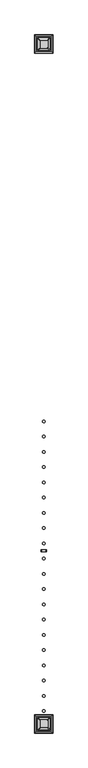
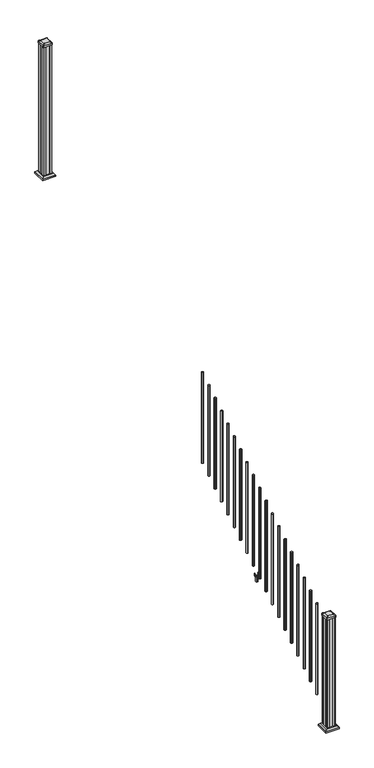
"""IFC4 building model written with IfcOpenShell, lengths in millimetres: railing geometry."""

from ifc_helpers import new_model, si_unit, point, frame, frame_2d, origin, place, context, project, spatial, polyline, circle_curve, trimmed, segment, composite_curve, outline, extrude, faceted_brep, source, transform, mapped, element, save
from ifc_brep_helpers import plane_surface, extruded_surface, advanced_brep


def railing_af3123fe(model_context):
    return source(origin(), model_context, "Body", "SolidModel", [
        extrude(outline(composite_curve([segment(trimmed(circle_curve(frame_2d((11128.1942659, -14647.7074681)), 9.525), [point((11118.6692659, -14647.7074681))], [point((11128.1942659, -14638.1824681))], False, "CARTESIAN"), True, "CONTINUOUS"), segment(trimmed(circle_curve(frame_2d((11128.1942659, -14647.7074681)), 9.525), [point((11128.1942659, -14638.1824681))], [point((11137.7192659, -14647.7074681))], False, "CARTESIAN"), True, "CONTINUOUS"), segment(trimmed(circle_curve(frame_2d((11128.1942659, -14647.7074681)), 9.525), [point((11137.7192659, -14647.7074681))], [point((11128.1942659, -14657.2324681))], False, "CARTESIAN"), True, "CONTINUOUS"), segment(trimmed(circle_curve(frame_2d((11128.1942659, -14647.7074681)), 9.525), [point((11128.1942659, -14657.2324681))], [point((11118.6692659, -14647.7074681))], False, "CARTESIAN"), True, "CONTINUOUS")], self_intersect=False)), frame((0.0, 0.0, 1645.9158781), z_axis=(0.0, 0.0, 1.0), x_axis=(1.0, 0.0, 0.0)), (0.0, 0.0, 1.0), 965.2041219),
        extrude(outline(composite_curve([segment(trimmed(circle_curve(frame_2d((11128.1942659, -14758.9594681)), 9.525), [point((11118.6692659, -14758.9594681))], [point((11128.1942659, -14749.4344681))], False, "CARTESIAN"), True, "CONTINUOUS"), segment(trimmed(circle_curve(frame_2d((11128.1942659, -14758.9594681)), 9.525), [point((11128.1942659, -14749.4344681))], [point((11137.7192659, -14758.9594681))], False, "CARTESIAN"), True, "CONTINUOUS"), segment(trimmed(circle_curve(frame_2d((11128.1942659, -14758.9594681)), 9.525), [point((11137.7192659, -14758.9594681))], [point((11128.1942659, -14768.4844681))], False, "CARTESIAN"), True, "CONTINUOUS"), segment(trimmed(circle_curve(frame_2d((11128.1942659, -14758.9594681)), 9.525), [point((11128.1942659, -14768.4844681))], [point((11118.6692659, -14758.9594681))], False, "CARTESIAN"), True, "CONTINUOUS")], self_intersect=False)), frame((0.0, 0.0, 1576.3833781), z_axis=(0.0, 0.0, 1.0), x_axis=(1.0, 0.0, 0.0)), (0.0, 0.0, 1.0), 965.2041219),
        extrude(outline(composite_curve([segment(trimmed(circle_curve(frame_2d((11128.1942659, -14870.2114681)), 9.525), [point((11118.6692659, -14870.2114681))], [point((11128.1942659, -14860.6864681))], False, "CARTESIAN"), True, "CONTINUOUS"), segment(trimmed(circle_curve(frame_2d((11128.1942659, -14870.2114681)), 9.525), [point((11128.1942659, -14860.6864681))], [point((11137.7192659, -14870.2114681))], False, "CARTESIAN"), True, "CONTINUOUS"), segment(trimmed(circle_curve(frame_2d((11128.1942659, -14870.2114681)), 9.525), [point((11137.7192659, -14870.2114681))], [point((11128.1942659, -14879.7364681))], False, "CARTESIAN"), True, "CONTINUOUS"), segment(trimmed(circle_curve(frame_2d((11128.1942659, -14870.2114681)), 9.525), [point((11128.1942659, -14879.7364681))], [point((11118.6692659, -14870.2114681))], False, "CARTESIAN"), True, "CONTINUOUS")], self_intersect=False)), frame((0.0, 0.0, 1506.8508781), z_axis=(0.0, 0.0, 1.0), x_axis=(1.0, 0.0, 0.0)), (0.0, 0.0, 1.0), 965.2041219),
        extrude(outline(composite_curve([segment(trimmed(circle_curve(frame_2d((11128.1942659, -14981.4634681)), 9.525), [point((11118.6692659, -14981.4634681))], [point((11128.1942659, -14971.9384681))], False, "CARTESIAN"), True, "CONTINUOUS"), segment(trimmed(circle_curve(frame_2d((11128.1942659, -14981.4634681)), 9.525), [point((11128.1942659, -14971.9384681))], [point((11137.7192659, -14981.4634681))], False, "CARTESIAN"), True, "CONTINUOUS"), segment(trimmed(circle_curve(frame_2d((11128.1942659, -14981.4634681)), 9.525), [point((11137.7192659, -14981.4634681))], [point((11128.1942659, -14990.9884681))], False, "CARTESIAN"), True, "CONTINUOUS"), segment(trimmed(circle_curve(frame_2d((11128.1942659, -14981.4634681)), 9.525), [point((11128.1942659, -14990.9884681))], [point((11118.6692659, -14981.4634681))], False, "CARTESIAN"), True, "CONTINUOUS")], self_intersect=False)), frame((0.0, 0.0, 1437.3183781), z_axis=(0.0, 0.0, 1.0), x_axis=(1.0, 0.0, 0.0)), (0.0, 0.0, 1.0), 965.2041219),
        extrude(outline(composite_curve([segment(trimmed(circle_curve(frame_2d((11128.1942659, -15092.7154681)), 9.525), [point((11118.6692659, -15092.7154681))], [point((11128.1942659, -15083.1904681))], False, "CARTESIAN"), True, "CONTINUOUS"), segment(trimmed(circle_curve(frame_2d((11128.1942659, -15092.7154681)), 9.525), [point((11128.1942659, -15083.1904681))], [point((11137.7192659, -15092.7154681))], False, "CARTESIAN"), True, "CONTINUOUS"), segment(trimmed(circle_curve(frame_2d((11128.1942659, -15092.7154681)), 9.525), [point((11137.7192659, -15092.7154681))], [point((11128.1942659, -15102.2404681))], False, "CARTESIAN"), True, "CONTINUOUS"), segment(trimmed(circle_curve(frame_2d((11128.1942659, -15092.7154681)), 9.525), [point((11128.1942659, -15102.2404681))], [point((11118.6692659, -15092.7154681))], False, "CARTESIAN"), True, "CONTINUOUS")], self_intersect=False)), frame((0.0, 0.0, 1367.7858781), z_axis=(0.0, 0.0, 1.0), x_axis=(1.0, 0.0, 0.0)), (0.0, 0.0, 1.0), 965.2041219),
        extrude(outline(composite_curve([segment(trimmed(circle_curve(frame_2d((11128.1942659, -15203.9674681)), 9.525), [point((11118.6692659, -15203.9674681))], [point((11128.1942659, -15194.4424681))], False, "CARTESIAN"), True, "CONTINUOUS"), segment(trimmed(circle_curve(frame_2d((11128.1942659, -15203.9674681)), 9.525), [point((11128.1942659, -15194.4424681))], [point((11137.7192659, -15203.9674681))], False, "CARTESIAN"), True, "CONTINUOUS"), segment(trimmed(circle_curve(frame_2d((11128.1942659, -15203.9674681)), 9.525), [point((11137.7192659, -15203.9674681))], [point((11128.1942659, -15213.4924681))], False, "CARTESIAN"), True, "CONTINUOUS"), segment(trimmed(circle_curve(frame_2d((11128.1942659, -15203.9674681)), 9.525), [point((11128.1942659, -15213.4924681))], [point((11118.6692659, -15203.9674681))], False, "CARTESIAN"), True, "CONTINUOUS")], self_intersect=False)), frame((0.0, 0.0, 1298.2533781), z_axis=(0.0, 0.0, 1.0), x_axis=(1.0, 0.0, 0.0)), (0.0, 0.0, 1.0), 965.2041219),
        extrude(outline(composite_curve([segment(trimmed(circle_curve(frame_2d((11128.1942659, -15315.2194681)), 9.525), [point((11118.6692659, -15315.2194681))], [point((11128.1942659, -15305.6944681))], False, "CARTESIAN"), True, "CONTINUOUS"), segment(trimmed(circle_curve(frame_2d((11128.1942659, -15315.2194681)), 9.525), [point((11128.1942659, -15305.6944681))], [point((11137.7192659, -15315.2194681))], False, "CARTESIAN"), True, "CONTINUOUS"), segment(trimmed(circle_curve(frame_2d((11128.1942659, -15315.2194681)), 9.525), [point((11137.7192659, -15315.2194681))], [point((11128.1942659, -15324.7444681))], False, "CARTESIAN"), True, "CONTINUOUS"), segment(trimmed(circle_curve(frame_2d((11128.1942659, -15315.2194681)), 9.525), [point((11128.1942659, -15324.7444681))], [point((11118.6692659, -15315.2194681))], False, "CARTESIAN"), True, "CONTINUOUS")], self_intersect=False)), frame((0.0, 0.0, 1228.7208781), z_axis=(0.0, 0.0, 1.0), x_axis=(1.0, 0.0, 0.0)), (0.0, 0.0, 1.0), 965.2041219),
        extrude(outline(composite_curve([segment(trimmed(circle_curve(frame_2d((11128.1942659, -15426.4714681)), 9.525), [point((11118.6692659, -15426.4714681))], [point((11128.1942659, -15416.9464681))], False, "CARTESIAN"), True, "CONTINUOUS"), segment(trimmed(circle_curve(frame_2d((11128.1942659, -15426.4714681)), 9.525), [point((11128.1942659, -15416.9464681))], [point((11137.7192659, -15426.4714681))], False, "CARTESIAN"), True, "CONTINUOUS"), segment(trimmed(circle_curve(frame_2d((11128.1942659, -15426.4714681)), 9.525), [point((11137.7192659, -15426.4714681))], [point((11128.1942659, -15435.9964681))], False, "CARTESIAN"), True, "CONTINUOUS"), segment(trimmed(circle_curve(frame_2d((11128.1942659, -15426.4714681)), 9.525), [point((11128.1942659, -15435.9964681))], [point((11118.6692659, -15426.4714681))], False, "CARTESIAN"), True, "CONTINUOUS")], self_intersect=False)), frame((0.0, 0.0, 1159.1883781), z_axis=(0.0, 0.0, 1.0), x_axis=(1.0, 0.0, 0.0)), (0.0, 0.0, 1.0), 965.2041219),
        extrude(outline(composite_curve([segment(trimmed(circle_curve(frame_2d((11128.1942659, -15537.7234681)), 9.525), [point((11118.6692659, -15537.7234681))], [point((11128.1942659, -15528.1984681))], False, "CARTESIAN"), True, "CONTINUOUS"), segment(trimmed(circle_curve(frame_2d((11128.1942659, -15537.7234681)), 9.525), [point((11128.1942659, -15528.1984681))], [point((11137.7192659, -15537.7234681))], False, "CARTESIAN"), True, "CONTINUOUS"), segment(trimmed(circle_curve(frame_2d((11128.1942659, -15537.7234681)), 9.525), [point((11137.7192659, -15537.7234681))], [point((11128.1942659, -15547.2484681))], False, "CARTESIAN"), True, "CONTINUOUS"), segment(trimmed(circle_curve(frame_2d((11128.1942659, -15537.7234681)), 9.525), [point((11128.1942659, -15547.2484681))], [point((11118.6692659, -15537.7234681))], False, "CARTESIAN"), True, "CONTINUOUS")], self_intersect=False)), frame((0.0, 0.0, 1089.6558781), z_axis=(0.0, 0.0, 1.0), x_axis=(1.0, 0.0, 0.0)), (0.0, 0.0, 1.0), 965.2041219),
        extrude(outline(polyline([(1041.2203979, 11146.3552647), (1041.2203979, 11144.3232651), (1040.2043953, 11143.3072653), (1029.7686081, 11143.3072653), (1028.7526073, 11144.3232651), (1016.762001, 11144.3232651), (1016.0000019, 11143.561266), (1016.0000019, 11112.8272648), (1016.762001, 11112.0652657), (1028.7526073, 11112.0652657), (1029.7686081, 11113.0812655), (1040.2043953, 11113.0812655), (1041.2203979, 11112.0652657), (1041.2203979, 11110.0332661), (1040.4583969, 11109.2712651), (1013.9680023, 11109.2712651), (1013.2060013, 11110.0332661), (1013.2060013, 11120.0662651), (1012.4440012, 11120.8282652), (953.262001, 11120.8282652), (952.5, 11121.5902663), (952.5, 11134.7982655), (953.2620001, 11135.5602656), (1012.4440012, 11135.5602656), (1013.2060013, 11136.3222657), (1013.2060013, 11146.3552647), (1013.9680023, 11147.1172657), (1040.4583969, 11147.1172657), (1041.2203979, 11146.3552647)]), holes=[polyline([(1013.2060013, 11124.7652655), (1013.2060013, 11131.6232653), (1012.4440012, 11132.3852654), (956.4370003, 11132.3852654), (955.6750031, 11131.6232682), (955.6750031, 11124.7652655), (956.4370031, 11124.0032654), (1012.4440012, 11124.0032654), (1013.2060013, 11124.7652655)])]), frame((0.0, -15600.7154681, 0.0), z_axis=(0.0, 1.0, 0.0), x_axis=(0.0, 0.0, 1.0)), (0.0, 0.0, 1.0), 14.732),
        extrude(outline(composite_curve([segment(trimmed(circle_curve(frame_2d((11128.1942659, -15648.9754681)), 9.525), [point((11118.6692659, -15648.9754681))], [point((11128.1942659, -15639.4504681))], False, "CARTESIAN"), True, "CONTINUOUS"), segment(trimmed(circle_curve(frame_2d((11128.1942659, -15648.9754681)), 9.525), [point((11128.1942659, -15639.4504681))], [point((11137.7192659, -15648.9754681))], False, "CARTESIAN"), True, "CONTINUOUS"), segment(trimmed(circle_curve(frame_2d((11128.1942659, -15648.9754681)), 9.525), [point((11137.7192659, -15648.9754681))], [point((11128.1942659, -15658.5004681))], False, "CARTESIAN"), True, "CONTINUOUS"), segment(trimmed(circle_curve(frame_2d((11128.1942659, -15648.9754681)), 9.525), [point((11128.1942659, -15658.5004681))], [point((11118.6692659, -15648.9754681))], False, "CARTESIAN"), True, "CONTINUOUS")], self_intersect=False)), frame((0.0, 0.0, 1020.1233781), z_axis=(0.0, 0.0, 1.0), x_axis=(1.0, 0.0, 0.0)), (0.0, 0.0, 1.0), 965.2041219),
        extrude(outline(composite_curve([segment(trimmed(circle_curve(frame_2d((11128.1942659, -15760.2274681)), 9.525), [point((11118.6692659, -15760.2274681))], [point((11128.1942659, -15750.7024681))], False, "CARTESIAN"), True, "CONTINUOUS"), segment(trimmed(circle_curve(frame_2d((11128.1942659, -15760.2274681)), 9.525), [point((11128.1942659, -15750.7024681))], [point((11137.7192659, -15760.2274681))], False, "CARTESIAN"), True, "CONTINUOUS"), segment(trimmed(circle_curve(frame_2d((11128.1942659, -15760.2274681)), 9.525), [point((11137.7192659, -15760.2274681))], [point((11128.1942659, -15769.7524681))], False, "CARTESIAN"), True, "CONTINUOUS"), segment(trimmed(circle_curve(frame_2d((11128.1942659, -15760.2274681)), 9.525), [point((11128.1942659, -15769.7524681))], [point((11118.6692659, -15760.2274681))], False, "CARTESIAN"), True, "CONTINUOUS")], self_intersect=False)), frame((0.0, 0.0, 950.5908781), z_axis=(0.0, 0.0, 1.0), x_axis=(1.0, 0.0, 0.0)), (0.0, 0.0, 1.0), 965.2041219),
        extrude(outline(composite_curve([segment(trimmed(circle_curve(frame_2d((11128.1942659, -15871.4794681)), 9.525), [point((11118.6692659, -15871.4794681))], [point((11128.1942659, -15861.9544681))], False, "CARTESIAN"), True, "CONTINUOUS"), segment(trimmed(circle_curve(frame_2d((11128.1942659, -15871.4794681)), 9.525), [point((11128.1942659, -15861.9544681))], [point((11137.7192659, -15871.4794681))], False, "CARTESIAN"), True, "CONTINUOUS"), segment(trimmed(circle_curve(frame_2d((11128.1942659, -15871.4794681)), 9.525), [point((11137.7192659, -15871.4794681))], [point((11128.1942659, -15881.0044681))], False, "CARTESIAN"), True, "CONTINUOUS"), segment(trimmed(circle_curve(frame_2d((11128.1942659, -15871.4794681)), 9.525), [point((11128.1942659, -15881.0044681))], [point((11118.6692659, -15871.4794681))], False, "CARTESIAN"), True, "CONTINUOUS")], self_intersect=False)), frame((0.0, 0.0, 881.0583781), z_axis=(0.0, 0.0, 1.0), x_axis=(1.0, 0.0, 0.0)), (0.0, 0.0, 1.0), 965.2041219),
        extrude(outline(composite_curve([segment(trimmed(circle_curve(frame_2d((11128.1942659, -15982.7314681)), 9.525), [point((11118.6692659, -15982.7314681))], [point((11128.1942659, -15973.2064681))], False, "CARTESIAN"), True, "CONTINUOUS"), segment(trimmed(circle_curve(frame_2d((11128.1942659, -15982.7314681)), 9.525), [point((11128.1942659, -15973.2064681))], [point((11137.7192659, -15982.7314681))], False, "CARTESIAN"), True, "CONTINUOUS"), segment(trimmed(circle_curve(frame_2d((11128.1942659, -15982.7314681)), 9.525), [point((11137.7192659, -15982.7314681))], [point((11128.1942659, -15992.2564681))], False, "CARTESIAN"), True, "CONTINUOUS"), segment(trimmed(circle_curve(frame_2d((11128.1942659, -15982.7314681)), 9.525), [point((11128.1942659, -15992.2564681))], [point((11118.6692659, -15982.7314681))], False, "CARTESIAN"), True, "CONTINUOUS")], self_intersect=False)), frame((0.0, 0.0, 811.5258781), z_axis=(0.0, 0.0, 1.0), x_axis=(1.0, 0.0, 0.0)), (0.0, 0.0, 1.0), 965.2041219),
        extrude(outline(composite_curve([segment(trimmed(circle_curve(frame_2d((11128.1942659, -16093.9834681)), 9.525), [point((11118.6692659, -16093.9834681))], [point((11128.1942659, -16084.4584681))], False, "CARTESIAN"), True, "CONTINUOUS"), segment(trimmed(circle_curve(frame_2d((11128.1942659, -16093.9834681)), 9.525), [point((11128.1942659, -16084.4584681))], [point((11137.7192659, -16093.9834681))], False, "CARTESIAN"), True, "CONTINUOUS"), segment(trimmed(circle_curve(frame_2d((11128.1942659, -16093.9834681)), 9.525), [point((11137.7192659, -16093.9834681))], [point((11128.1942659, -16103.5084681))], False, "CARTESIAN"), True, "CONTINUOUS"), segment(trimmed(circle_curve(frame_2d((11128.1942659, -16093.9834681)), 9.525), [point((11128.1942659, -16103.5084681))], [point((11118.6692659, -16093.9834681))], False, "CARTESIAN"), True, "CONTINUOUS")], self_intersect=False)), frame((0.0, 0.0, 741.9933781), z_axis=(0.0, 0.0, 1.0), x_axis=(1.0, 0.0, 0.0)), (0.0, 0.0, 1.0), 965.2041219),
        extrude(outline(composite_curve([segment(trimmed(circle_curve(frame_2d((11128.1942659, -16205.2354681)), 9.525), [point((11118.6692659, -16205.2354681))], [point((11128.1942659, -16195.7104681))], False, "CARTESIAN"), True, "CONTINUOUS"), segment(trimmed(circle_curve(frame_2d((11128.1942659, -16205.2354681)), 9.525), [point((11128.1942659, -16195.7104681))], [point((11137.7192659, -16205.2354681))], False, "CARTESIAN"), True, "CONTINUOUS"), segment(trimmed(circle_curve(frame_2d((11128.1942659, -16205.2354681)), 9.525), [point((11137.7192659, -16205.2354681))], [point((11128.1942659, -16214.7604681))], False, "CARTESIAN"), True, "CONTINUOUS"), segment(trimmed(circle_curve(frame_2d((11128.1942659, -16205.2354681)), 9.525), [point((11128.1942659, -16214.7604681))], [point((11118.6692659, -16205.2354681))], False, "CARTESIAN"), True, "CONTINUOUS")], self_intersect=False)), frame((0.0, 0.0, 672.4608781), z_axis=(0.0, 0.0, 1.0), x_axis=(1.0, 0.0, 0.0)), (0.0, 0.0, 1.0), 965.2041219),
        extrude(outline(composite_curve([segment(trimmed(circle_curve(frame_2d((11128.1942659, -16316.4874681)), 9.525), [point((11118.6692659, -16316.4874681))], [point((11128.1942659, -16306.9624681))], False, "CARTESIAN"), True, "CONTINUOUS"), segment(trimmed(circle_curve(frame_2d((11128.1942659, -16316.4874681)), 9.525), [point((11128.1942659, -16306.9624681))], [point((11137.7192659, -16316.4874681))], False, "CARTESIAN"), True, "CONTINUOUS"), segment(trimmed(circle_curve(frame_2d((11128.1942659, -16316.4874681)), 9.525), [point((11137.7192659, -16316.4874681))], [point((11128.1942659, -16326.0124681))], False, "CARTESIAN"), True, "CONTINUOUS"), segment(trimmed(circle_curve(frame_2d((11128.1942659, -16316.4874681)), 9.525), [point((11128.1942659, -16326.0124681))], [point((11118.6692659, -16316.4874681))], False, "CARTESIAN"), True, "CONTINUOUS")], self_intersect=False)), frame((0.0, 0.0, 602.9283781), z_axis=(0.0, 0.0, 1.0), x_axis=(1.0, 0.0, 0.0)), (0.0, 0.0, 1.0), 965.2041219),
        extrude(outline(composite_curve([segment(trimmed(circle_curve(frame_2d((11128.1942659, -16427.7394681)), 9.525), [point((11118.6692659, -16427.7394681))], [point((11128.1942659, -16418.2144681))], False, "CARTESIAN"), True, "CONTINUOUS"), segment(trimmed(circle_curve(frame_2d((11128.1942659, -16427.7394681)), 9.525), [point((11128.1942659, -16418.2144681))], [point((11137.7192659, -16427.7394681))], False, "CARTESIAN"), True, "CONTINUOUS"), segment(trimmed(circle_curve(frame_2d((11128.1942659, -16427.7394681)), 9.525), [point((11137.7192659, -16427.7394681))], [point((11128.1942659, -16437.2644681))], False, "CARTESIAN"), True, "CONTINUOUS"), segment(trimmed(circle_curve(frame_2d((11128.1942659, -16427.7394681)), 9.525), [point((11128.1942659, -16437.2644681))], [point((11118.6692659, -16427.7394681))], False, "CARTESIAN"), True, "CONTINUOUS")], self_intersect=False)), frame((0.0, 0.0, 533.3958781), z_axis=(0.0, 0.0, 1.0), x_axis=(1.0, 0.0, 0.0)), (0.0, 0.0, 1.0), 965.2041219),
        extrude(outline(composite_curve([segment(trimmed(circle_curve(frame_2d((11128.1942659, -16538.9914681)), 9.525), [point((11118.6692659, -16538.9914681))], [point((11128.1942659, -16529.4664681))], False, "CARTESIAN"), True, "CONTINUOUS"), segment(trimmed(circle_curve(frame_2d((11128.1942659, -16538.9914681)), 9.525), [point((11128.1942659, -16529.4664681))], [point((11137.7192659, -16538.9914681))], False, "CARTESIAN"), True, "CONTINUOUS"), segment(trimmed(circle_curve(frame_2d((11128.1942659, -16538.9914681)), 9.525), [point((11137.7192659, -16538.9914681))], [point((11128.1942659, -16548.5164681))], False, "CARTESIAN"), True, "CONTINUOUS"), segment(trimmed(circle_curve(frame_2d((11128.1942659, -16538.9914681)), 9.525), [point((11128.1942659, -16548.5164681))], [point((11118.6692659, -16538.9914681))], False, "CARTESIAN"), True, "CONTINUOUS")], self_intersect=False)), frame((0.0, 0.0, 463.8633781), z_axis=(0.0, 0.0, 1.0), x_axis=(1.0, 0.0, 0.0)), (0.0, 0.0, 1.0), 965.2041219),
        extrude(outline(composite_curve([segment(trimmed(circle_curve(frame_2d((11128.1942659, -16650.2434681)), 9.525), [point((11118.6692659, -16650.2434681))], [point((11128.1942659, -16640.7184681))], False, "CARTESIAN"), True, "CONTINUOUS"), segment(trimmed(circle_curve(frame_2d((11128.1942659, -16650.2434681)), 9.525), [point((11128.1942659, -16640.7184681))], [point((11137.7192659, -16650.2434681))], False, "CARTESIAN"), True, "CONTINUOUS"), segment(trimmed(circle_curve(frame_2d((11128.1942659, -16650.2434681)), 9.525), [point((11137.7192659, -16650.2434681))], [point((11128.1942659, -16659.7684681))], False, "CARTESIAN"), True, "CONTINUOUS"), segment(trimmed(circle_curve(frame_2d((11128.1942659, -16650.2434681)), 9.525), [point((11128.1942659, -16659.7684681))], [point((11118.6692659, -16650.2434681))], False, "CARTESIAN"), True, "CONTINUOUS")], self_intersect=False)), frame((0.0, 0.0, 394.3308781), z_axis=(0.0, 0.0, 1.0), x_axis=(1.0, 0.0, 0.0)), (0.0, 0.0, 1.0), 965.2041219),
        extrude(outline(composite_curve([segment(trimmed(circle_curve(frame_2d((11128.1942659, -16761.4954681)), 9.525), [point((11118.6692659, -16761.4954681))], [point((11128.1942659, -16751.9704681))], False, "CARTESIAN"), True, "CONTINUOUS"), segment(trimmed(circle_curve(frame_2d((11128.1942659, -16761.4954681)), 9.525), [point((11128.1942659, -16751.9704681))], [point((11137.7192659, -16761.4954681))], False, "CARTESIAN"), True, "CONTINUOUS"), segment(trimmed(circle_curve(frame_2d((11128.1942659, -16761.4954681)), 9.525), [point((11137.7192659, -16761.4954681))], [point((11128.1942659, -16771.0204681))], False, "CARTESIAN"), True, "CONTINUOUS"), segment(trimmed(circle_curve(frame_2d((11128.1942659, -16761.4954681)), 9.525), [point((11128.1942659, -16771.0204681))], [point((11118.6692659, -16761.4954681))], False, "CARTESIAN"), True, "CONTINUOUS")], self_intersect=False)), frame((0.0, 0.0, 324.7983781), z_axis=(0.0, 0.0, 1.0), x_axis=(1.0, 0.0, 0.0)), (0.0, 0.0, 1.0), 965.2041219),
        extrude(outline(polyline([(11167.8817659, -11936.8924681), (11148.2602659, -11936.8924681), (11147.4982659, -11935.3049681), (11108.8902659, -11935.3049681), (11108.1282659, -11936.8924681), (11088.5067659, -11936.8924681), (11086.9192659, -11935.3049681), (11086.9192659, -11915.6834681), (11088.5067659, -11914.9214681), (11088.5067659, -11876.3134681), (11086.9192659, -11875.5514681), (11086.9192659, -11855.9299681), (11088.5067659, -11854.3424681), (11108.1282659, -11854.3424681), (11108.8902659, -11855.9299681), (11147.4982659, -11855.9299681), (11148.2602659, -11854.3424681), (11167.8817659, -11854.3424681), (11169.4692659, -11855.9299681), (11169.4692659, -11875.5514681), (11167.8817659, -11876.3134681), (11167.8817659, -11914.9214681), (11169.4692659, -11915.6834681), (11169.4692659, -11935.3049681), (11167.8817659, -11936.8924681)])), frame((0.0, 0.0, 3048.0), z_axis=(0.0, 0.0, 1.0), x_axis=(1.0, 0.0, 0.0)), (0.0, 0.0, 1.0), 1400.140513),
        faceted_brep([(11075.6083284, -11948.2034056, 3076.575), (11180.7802034, -11948.2034056, 3076.575), (11180.7802034, -11843.0315306, 3076.575), (11075.6083284, -11843.0315306, 3076.575), (11061.5688753, -11962.2428587, 3063.24), (11061.5688753, -11828.9920775, 3063.24), (11194.8196565, -11828.9920775, 3063.24), (11194.8196565, -11962.2428587, 3063.24)], [[[0, 1, 2, 3]], [[4, 5, 6, 7]], [[4, 7, 1, 0]], [[7, 6, 2, 1]], [[6, 5, 3, 2]], [[5, 4, 0, 3]]]),
        extrude(outline(polyline([(11061.5688753, -11962.2428587), (11061.5688753, -11828.9920775), (11194.8196565, -11828.9920775), (11194.8196565, -11962.2428587), (11061.5688753, -11962.2428587)])), frame((0.0, 0.0, 3048.0), z_axis=(0.0, 0.0, 1.0), x_axis=(1.0, 0.0, 0.0)), (0.0, 0.0, 1.0), 15.24),
        advanced_brep(
        [(11153.9911409, -11924.5893431, 4476.715513), (11157.1661409, -11921.4143431, 4476.715513), (11157.1661409, -11869.8205931, 4476.715513), (11153.9911409, -11866.6455931, 4476.715513), (11102.3973909, -11866.6455931, 4476.715513), (11099.2223909, -11869.8205931, 4476.715513), (11099.2223909, -11921.4143431, 4476.715513), (11102.3973909, -11924.5893431, 4476.715513), (11170.2630159, -11940.8612181, 4465.412513), (11086.1255159, -11940.8612181, 4465.412513), (11082.9505159, -11937.6862181, 4465.412513), (11082.9505159, -11853.5487181, 4465.412513), (11086.1255159, -11850.3737181, 4465.412513), (11170.2630159, -11850.3737181, 4465.412513), (11173.4380159, -11853.5487181, 4465.412513), (11173.4380159, -11937.6862181, 4465.412513)],
        [
            (0, 1, circle_curve(frame((11153.9911409, -11921.4143431, 4476.715513), z_axis=(0.0, 0.0, 1.0), x_axis=(0.0, 1.0, 0.0)), 3.175)),
            (1, 2),
            (2, 3, circle_curve(frame((11153.9911409, -11869.8205931, 4476.715513), z_axis=(0.0, 0.0, 1.0), x_axis=(0.0, 1.0, 0.0)), 3.175)),
            (3, 4),
            (4, 5, circle_curve(frame((11102.3973909, -11869.8205931, 4476.715513), z_axis=(0.0, 0.0, 1.0), x_axis=(0.0, 1.0, 0.0)), 3.175)),
            (5, 6),
            (6, 7, circle_curve(frame((11102.3973909, -11921.4143431, 4476.715513), z_axis=(0.0, 0.0, 1.0), x_axis=(0.0, 1.0, 0.0)), 3.175)),
            (7, 0),
            (8, 9),
            (9, 10, circle_curve(frame((11086.1255159, -11937.6862181, 4465.412513), z_axis=(0.0, 0.0, -1.0), x_axis=(0.0, 1.0, 0.0)), 3.175)),
            (10, 11),
            (11, 12, circle_curve(frame((11086.1255159, -11853.5487181, 4465.412513), z_axis=(0.0, 0.0, -1.0), x_axis=(0.0, 1.0, 0.0)), 3.175)),
            (12, 13),
            (13, 14, circle_curve(frame((11170.2630159, -11853.5487181, 4465.412513), z_axis=(0.0, 0.0, -1.0), x_axis=(0.0, 1.0, 0.0)), 3.175)),
            (14, 15),
            (15, 8, circle_curve(frame((11170.2630159, -11937.6862181, 4465.412513), z_axis=(0.0, 0.0, -1.0), x_axis=(0.0, 1.0, 0.0)), 3.175)),
            (15, 1),
            (0, 8),
            (14, 2),
            (13, 3),
            (12, 4),
            (11, 5),
            (10, 6),
            (9, 7),
        ],
        [
            plane_surface(frame((11128.1942659, -11895.6174681, 4476.715513), z_axis=(0.0, 0.0, 1.0), x_axis=(1.0, 0.0, 0.0))),
            plane_surface(frame((11128.1942659, -11895.6174681, 4465.412513), z_axis=(0.0, 0.0, -1.0), x_axis=(1.0, 0.0, 0.0))),
            extruded_surface(trimmed(circle_curve(frame((11170.2630159, -11937.6862181, 4465.412513), z_axis=(0.0, 0.0, 1.0), x_axis=(0.0, 1.0, 0.0)), 3.175), [point((11170.2630159, -11940.8612181, 4465.412513))], [point((11173.4380159, -11937.6862181, 4465.412513))], True, "CARTESIAN"), (-16.271875000000364, 16.271875000000364, 11.302999999999884), 25.63797263886657),
            plane_surface(frame((11173.4380159, -11895.6174681, 4465.412513), z_axis=(0.5705009161540685, 0.0, 0.8212969649690474), x_axis=(0.0, 1.0, 0.0))),
            extruded_surface(trimmed(circle_curve(frame((11170.2630159, -11853.5487181, 4465.412513), z_axis=(0.0, 0.0, 1.0), x_axis=(0.0, 1.0, 0.0)), 3.175), [point((11173.4380159, -11853.5487181, 4465.412513))], [point((11170.2630159, -11850.3737181, 4465.412513))], True, "CARTESIAN"), (-16.271875000000364, -16.271874999998545, 11.302999999999884), 25.63797263886542),
            plane_surface(frame((11128.1942659, -11850.3737181, 4465.412513), z_axis=(0.0, 0.5705009161540291, 0.8212969649690747), x_axis=(-1.0, 0.0, 0.0))),
            extruded_surface(trimmed(circle_curve(frame((11086.1255159, -11853.5487181, 4465.412513), z_axis=(0.0, 0.0, 1.0), x_axis=(0.0, 1.0, 0.0)), 3.175), [point((11086.1255159, -11850.3737181, 4465.412513))], [point((11082.9505159, -11853.5487181, 4465.412513))], True, "CARTESIAN"), (16.271875000000364, -16.271874999998545, 11.302999999999884), 25.63797263886542),
            plane_surface(frame((11082.9505159, -11895.6174681, 4465.412513), z_axis=(-0.5705009161540235, 0.0, 0.8212969649690786), x_axis=(0.0, -1.0, 0.0))),
            extruded_surface(trimmed(circle_curve(frame((11086.1255159, -11937.6862181, 4465.412513), z_axis=(0.0, 0.0, 1.0), x_axis=(0.0, 1.0, 0.0)), 3.175), [point((11082.9505159, -11937.6862181, 4465.412513))], [point((11086.1255159, -11940.8612181, 4465.412513))], True, "CARTESIAN"), (16.271875000000364, 16.271875000000364, 11.302999999999884), 25.63797263886657),
            plane_surface(frame((11128.1942659, -11940.8612181, 4465.412513), z_axis=(0.0, -0.570500916154034, 0.8212969649690713), x_axis=(1.0, 0.0, 0.0))),
        ],
        [
            (0, [[1, 2, 3, 4, 5, 6, 7, 8]]),
            (1, [[9, 10, 11, 12, 13, 14, 15, 16]]),
            (2, [[-16, 17, -1, 18]]),
            (3, [[-15, 19, -2, -17]]),
            (4, [[-14, 20, -3, -19]]),
            (5, [[-13, 21, -4, -20]]),
            (6, [[-12, 22, -5, -21]]),
            (7, [[-11, 23, -6, -22]]),
            (8, [[-10, 24, -7, -23]]),
            (9, [[-9, -18, -8, -24]]),
        ],
    ),
        extrude(outline(composite_curve([segment(polyline([(11170.2630159, -11940.8612181), (11086.1255159, -11940.8612181)]), True, "CONTINUOUS"), segment(trimmed(circle_curve(frame_2d((11086.1255159, -11937.6862181)), 3.175), [point((11086.1255159, -11940.8612181))], [point((11082.9505159, -11937.6862181))], False, "CARTESIAN"), True, "CONTINUOUS"), segment(polyline([(11082.9505159, -11937.6862181), (11082.9505159, -11853.5487181)]), True, "CONTINUOUS"), segment(trimmed(circle_curve(frame_2d((11086.1255159, -11853.5487181)), 3.175), [point((11082.9505159, -11853.5487181))], [point((11086.1255159, -11850.3737181))], False, "CARTESIAN"), True, "CONTINUOUS"), segment(polyline([(11086.1255159, -11850.3737181), (11170.2630159, -11850.3737181)]), True, "CONTINUOUS"), segment(trimmed(circle_curve(frame_2d((11170.2630159, -11853.5487181)), 3.175), [point((11170.2630159, -11850.3737181))], [point((11173.4380159, -11853.5487181))], False, "CARTESIAN"), True, "CONTINUOUS"), segment(polyline([(11173.4380159, -11853.5487181), (11173.4380159, -11937.6862181)]), True, "CONTINUOUS"), segment(trimmed(circle_curve(frame_2d((11170.2630159, -11937.6862181)), 3.175), [point((11173.4380159, -11937.6862181))], [point((11170.2630159, -11940.8612181))], False, "CARTESIAN"), True, "CONTINUOUS")], self_intersect=False)), frame((0.0, 0.0, 4448.140513), z_axis=(0.0, 0.0, 1.0), x_axis=(1.0, 0.0, 0.0)), (0.0, 0.0, 1.0), 17.272),
        faceted_brep([(11075.6083284, -16907.8074056, 193.19875), (11180.7802034, -16907.8074056, 193.19875), (11180.7802034, -16802.6355306, 193.19875), (11075.6083284, -16802.6355306, 193.19875), (11061.5688753, -16921.8468587, 179.86375), (11061.5688753, -16788.5960775, 179.86375), (11194.8196565, -16788.5960775, 179.86375), (11194.8196565, -16921.8468587, 179.86375)], [[[0, 1, 2, 3]], [[4, 5, 6, 7]], [[4, 7, 1, 0]], [[7, 6, 2, 1]], [[6, 5, 3, 2]], [[5, 4, 0, 3]]]),
        extrude(outline(polyline([(11061.5688753, -16921.8468587), (11061.5688753, -16788.5960775), (11194.8196565, -16788.5960775), (11194.8196565, -16921.8468587), (11061.5688753, -16921.8468587)])), frame((0.0, 0.0, 164.62375), z_axis=(0.0, 0.0, 1.0), x_axis=(1.0, 0.0, 0.0)), (0.0, 0.0, 1.0), 15.24),
        advanced_brep(
        [(11153.9911409, -16884.1933431, 1376.963013), (11157.1661409, -16881.0183431, 1376.963013), (11157.1661409, -16829.4245931, 1376.963013), (11153.9911409, -16826.2495931, 1376.963013), (11102.3973909, -16826.2495931, 1376.963013), (11099.2223909, -16829.4245931, 1376.963013), (11099.2223909, -16881.0183431, 1376.963013), (11102.3973909, -16884.1933431, 1376.963013), (11170.2630159, -16900.4652181, 1365.660013), (11086.1255159, -16900.4652181, 1365.660013), (11082.9505159, -16897.2902181, 1365.660013), (11082.9505159, -16813.1527181, 1365.660013), (11086.1255159, -16809.9777181, 1365.660013), (11170.2630159, -16809.9777181, 1365.660013), (11173.4380159, -16813.1527181, 1365.660013), (11173.4380159, -16897.2902181, 1365.660013)],
        [
            (0, 1, circle_curve(frame((11153.9911409, -16881.0183431, 1376.963013), z_axis=(0.0, 0.0, 1.0), x_axis=(0.0, 1.0, 0.0)), 3.175)),
            (1, 2),
            (2, 3, circle_curve(frame((11153.9911409, -16829.4245931, 1376.963013), z_axis=(0.0, 0.0, 1.0), x_axis=(0.0, 1.0, 0.0)), 3.175)),
            (3, 4),
            (4, 5, circle_curve(frame((11102.3973909, -16829.4245931, 1376.963013), z_axis=(0.0, 0.0, 1.0), x_axis=(0.0, 1.0, 0.0)), 3.175)),
            (5, 6),
            (6, 7, circle_curve(frame((11102.3973909, -16881.0183431, 1376.963013), z_axis=(0.0, 0.0, 1.0), x_axis=(0.0, 1.0, 0.0)), 3.175)),
            (7, 0),
            (8, 9),
            (9, 10, circle_curve(frame((11086.1255159, -16897.2902181, 1365.660013), z_axis=(0.0, 0.0, -1.0), x_axis=(0.0, 1.0, 0.0)), 3.175)),
            (10, 11),
            (11, 12, circle_curve(frame((11086.1255159, -16813.1527181, 1365.660013), z_axis=(0.0, 0.0, -1.0), x_axis=(0.0, 1.0, 0.0)), 3.175)),
            (12, 13),
            (13, 14, circle_curve(frame((11170.2630159, -16813.1527181, 1365.660013), z_axis=(0.0, 0.0, -1.0), x_axis=(0.0, 1.0, 0.0)), 3.175)),
            (14, 15),
            (15, 8, circle_curve(frame((11170.2630159, -16897.2902181, 1365.660013), z_axis=(0.0, 0.0, -1.0), x_axis=(0.0, 1.0, 0.0)), 3.175)),
            (15, 1),
            (0, 8),
            (14, 2),
            (13, 3),
            (12, 4),
            (11, 5),
            (10, 6),
            (9, 7),
        ],
        [
            plane_surface(frame((11128.1942659, -16855.2214681, 1376.963013), z_axis=(0.0, 0.0, 1.0), x_axis=(1.0, 0.0, 0.0))),
            plane_surface(frame((11128.1942659, -16855.2214681, 1365.660013), z_axis=(0.0, 0.0, -1.0), x_axis=(1.0, 0.0, 0.0))),
            extruded_surface(trimmed(circle_curve(frame((11170.2630159, -16897.2902181, 1365.660013), z_axis=(0.0, 0.0, 1.0), x_axis=(0.0, 1.0, 0.0)), 3.175), [point((11170.2630159, -16900.4652181, 1365.660013))], [point((11173.4380159, -16897.2902181, 1365.660013))], True, "CARTESIAN"), (-16.271875000000364, 16.271874999998545, 11.303000000000111), 25.63797263886552),
            plane_surface(frame((11173.4380159, -16855.2214681, 1365.660013), z_axis=(0.5705009161540778, 0.0, 0.8212969649690408), x_axis=(0.0, 1.0, 0.0))),
            extruded_surface(trimmed(circle_curve(frame((11170.2630159, -16813.1527181, 1365.660013), z_axis=(0.0, 0.0, 1.0), x_axis=(0.0, 1.0, 0.0)), 3.175), [point((11173.4380159, -16813.1527181, 1365.660013))], [point((11170.2630159, -16809.9777181, 1365.660013))], True, "CARTESIAN"), (-16.271875000000364, -16.271875000002183, 11.303000000000111), 25.63797263886783),
            plane_surface(frame((11128.1942659, -16809.9777181, 1365.660013), z_axis=(0.0, 0.5705009161540291, 0.8212969649690747), x_axis=(-1.0, 0.0, 0.0))),
            extruded_surface(trimmed(circle_curve(frame((11086.1255159, -16813.1527181, 1365.660013), z_axis=(0.0, 0.0, 1.0), x_axis=(0.0, 1.0, 0.0)), 3.175), [point((11086.1255159, -16809.9777181, 1365.660013))], [point((11082.9505159, -16813.1527181, 1365.660013))], True, "CARTESIAN"), (16.271875000000364, -16.271875000002183, 11.303000000000111), 25.63797263886783),
            plane_surface(frame((11082.9505159, -16855.2214681, 1365.660013), z_axis=(-0.5705009161540142, 0.0, 0.8212969649690851), x_axis=(0.0, -1.0, 0.0))),
            extruded_surface(trimmed(circle_curve(frame((11086.1255159, -16897.2902181, 1365.660013), z_axis=(0.0, 0.0, 1.0), x_axis=(0.0, 1.0, 0.0)), 3.175), [point((11082.9505159, -16897.2902181, 1365.660013))], [point((11086.1255159, -16900.4652181, 1365.660013))], True, "CARTESIAN"), (16.271875000000364, 16.271874999998545, 11.303000000000111), 25.63797263886552),
            plane_surface(frame((11128.1942659, -16900.4652181, 1365.660013), z_axis=(0.0, -0.570500916154034, 0.8212969649690713), x_axis=(1.0, 0.0, 0.0))),
        ],
        [
            (0, [[1, 2, 3, 4, 5, 6, 7, 8]]),
            (1, [[9, 10, 11, 12, 13, 14, 15, 16]]),
            (2, [[-16, 17, -1, 18]]),
            (3, [[-15, 19, -2, -17]]),
            (4, [[-14, 20, -3, -19]]),
            (5, [[-13, 21, -4, -20]]),
            (6, [[-12, 22, -5, -21]]),
            (7, [[-11, 23, -6, -22]]),
            (8, [[-10, 24, -7, -23]]),
            (9, [[-9, -18, -8, -24]]),
        ],
    ),
        extrude(outline(composite_curve([segment(polyline([(11170.2630159, -16900.4652181), (11086.1255159, -16900.4652181)]), True, "CONTINUOUS"), segment(trimmed(circle_curve(frame_2d((11086.1255159, -16897.2902181)), 3.175), [point((11086.1255159, -16900.4652181))], [point((11082.9505159, -16897.2902181))], False, "CARTESIAN"), True, "CONTINUOUS"), segment(polyline([(11082.9505159, -16897.2902181), (11082.9505159, -16813.1527181)]), True, "CONTINUOUS"), segment(trimmed(circle_curve(frame_2d((11086.1255159, -16813.1527181)), 3.175), [point((11082.9505159, -16813.1527181))], [point((11086.1255159, -16809.9777181))], False, "CARTESIAN"), True, "CONTINUOUS"), segment(polyline([(11086.1255159, -16809.9777181), (11170.2630159, -16809.9777181)]), True, "CONTINUOUS"), segment(trimmed(circle_curve(frame_2d((11170.2630159, -16813.1527181)), 3.175), [point((11170.2630159, -16809.9777181))], [point((11173.4380159, -16813.1527181))], False, "CARTESIAN"), True, "CONTINUOUS"), segment(polyline([(11173.4380159, -16813.1527181), (11173.4380159, -16897.2902181)]), True, "CONTINUOUS"), segment(trimmed(circle_curve(frame_2d((11170.2630159, -16897.2902181)), 3.175), [point((11173.4380159, -16897.2902181))], [point((11170.2630159, -16900.4652181))], False, "CARTESIAN"), True, "CONTINUOUS")], self_intersect=False)), frame((0.0, 0.0, 1348.388013), z_axis=(0.0, 0.0, 1.0), x_axis=(1.0, 0.0, 0.0)), (0.0, 0.0, 1.0), 17.272),
        extrude(outline(polyline([(11167.8817659, -16896.4964681), (11148.2602659, -16896.4964681), (11147.4982659, -16894.9089681), (11108.8902659, -16894.9089681), (11108.1282659, -16896.4964681), (11088.5067659, -16896.4964681), (11086.9192659, -16894.9089681), (11086.9192659, -16875.2874681), (11088.5067659, -16874.5254681), (11088.5067659, -16835.9174681), (11086.9192659, -16835.1554681), (11086.9192659, -16815.5339681), (11088.5067659, -16813.9464681), (11108.1282659, -16813.9464681), (11108.8902659, -16815.5339681), (11147.4982659, -16815.5339681), (11148.2602659, -16813.9464681), (11167.8817659, -16813.9464681), (11169.4692659, -16815.5339681), (11169.4692659, -16835.1554681), (11167.8817659, -16835.9174681), (11167.8817659, -16874.5254681), (11169.4692659, -16875.2874681), (11169.4692659, -16894.9089681), (11167.8817659, -16896.4964681)])), frame((0.0, 0.0, 164.62375), z_axis=(0.0, 0.0, 1.0), x_axis=(1.0, 0.0, 0.0)), (0.0, 0.0, 1.0), 1183.764263),
    ])


if __name__ == "__main__":
    model = new_model("IFC4")
    model_context = context("Model", 3, world=origin())
    ifc_project = project(units=[si_unit("LENGTHUNIT", "METRE", prefix="MILLI")], contexts=[model_context])
    site = spatial("IfcSite", under=ifc_project)
    building = spatial("IfcBuilding", under=site)
    placement = place(None, origin())
    railing_shape = railing_af3123fe(model_context)
    element("IfcRailing", 1, at=placement, inside=building, context=model_context, shape_type="MappedRepresentation", body=[
        mapped(railing_shape, transform((0.0, 0.0, 0.0), x_axis=(1.0, 0.0, 0.0), y_axis=(0.0, 1.0, 0.0), z_axis=(0.0, 0.0, 1.0))),
    ])
    save(model, "model.ifc")
